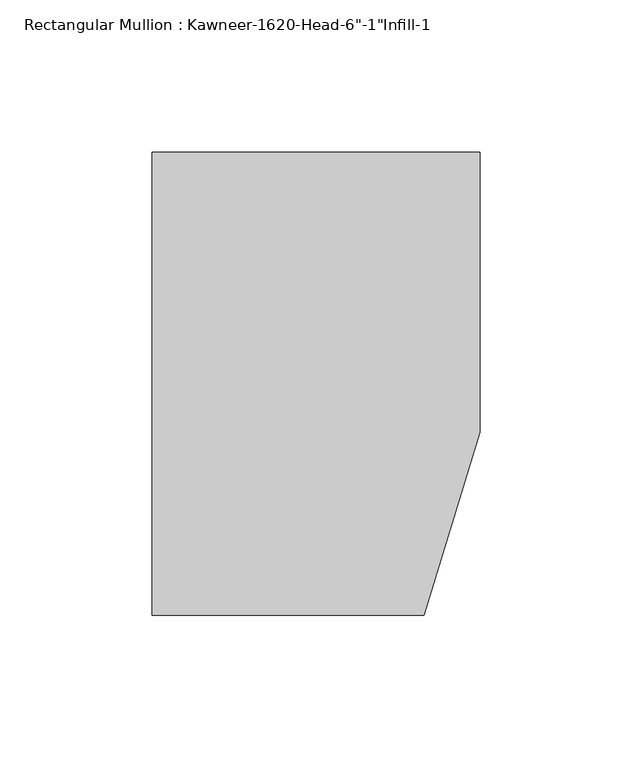
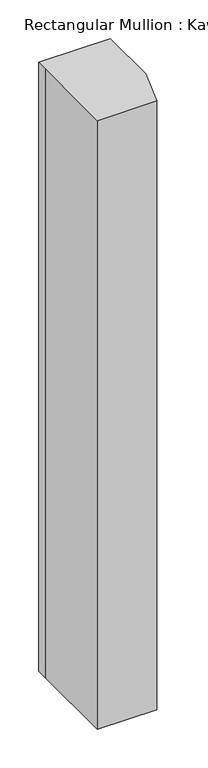
"""IFC4 building model written with IfcOpenShell, lengths in millimetres: member geometry."""

import ifcopenshell
import ifcopenshell.guid

model = None  # the IFC model being written
_history = None  # IfcOwnerHistory: only IFC2X3 demands one
_inside = {}  # id of a spatial element -> (the spatial element, [elements in it])
_under = {}  # id of a project, library or spatial element -> (it, [spatial elements below it])
_declared = {}  # id of a project -> (the project, [libraries it declares])
_typed = {}  # id of a type object -> (the type object, [elements of that type])
_made_of = {}  # id of a material, layer set ... -> (it, [elements and type objects made of it])


def new_model(schema):
    """Start an empty IFC model of exactly this schema.

    Asked for "IFC4X3", IfcOpenShell would pick the latest addendum, in which some entities
    have other attributes; the version numbers below select the first issue.
    IFC2X3 requires an IfcOwnerHistory on every rooted entity: one is made here for all.
    """
    global model, _history
    if schema == "IFC4X3":
        model = ifcopenshell.file(schema_version=(4, 3, 0, 0))
    else:
        model = ifcopenshell.file(schema=schema)
    _inside.clear()
    _under.clear()
    _declared.clear()
    _typed.clear()
    _made_of.clear()
    _history = None
    if model.schema == "IFC2X3":
        org = make("IfcOrganization", Name="unknown")
        user = make(
            "IfcPersonAndOrganization",
            ThePerson=make("IfcPerson", FamilyName="unknown"),
            TheOrganization=org,
        )
        app = make(
            "IfcApplication",
            ApplicationDeveloper=org,
            Version="unknown",
            ApplicationFullName="unknown",
            ApplicationIdentifier="unknown",
        )
        _history = make(
            "IfcOwnerHistory",
            OwningUser=user,
            OwningApplication=app,
            ChangeAction="ADDED",
            CreationDate=0,
        )
    return model


def make(cls, **values):
    """One entity of the class cls with the attributes given. An attribute that is None is left unset."""
    return model.create_entity(
        cls, **{name: value for name, value in values.items() if value is not None}
    )


def rooted(cls, **values):
    """An entity with a GlobalId (a new one), such as an element, a storey or a relation."""
    return make(cls, GlobalId=ifcopenshell.guid.new(), OwnerHistory=_history, **values)


def si_unit(unit_type, name, prefix=None):
    """IfcSIUnit, for example si_unit("LENGTHUNIT", "METRE", prefix="MILLI")."""
    return make("IfcSIUnit", UnitType=unit_type, Prefix=prefix, Name=name)


def assignment(units):
    """IfcUnitAssignment: the units of a project."""
    return None if units is None else make("IfcUnitAssignment", Units=units)


def point(xyz):
    """IfcCartesianPoint."""
    return None if xyz is None else make("IfcCartesianPoint", Coordinates=xyz)


def direction(xyz):
    """IfcDirection."""
    return None if xyz is None else make("IfcDirection", DirectionRatios=xyz)


def frame(location, z_axis=None, x_axis=None):
    """IfcAxis2Placement3D, a coordinate frame: its origin and axes. An axis left out is left unset."""
    return make(
        "IfcAxis2Placement3D",
        Location=point(location),
        Axis=direction(z_axis),
        RefDirection=direction(x_axis),
    )


def origin():
    """The frame at (0, 0, 0) with its axes left unset."""
    return frame((0.0, 0.0, 0.0))


def place(relative_to, where):
    """IfcLocalPlacement: puts the frame where relative to a parent placement (None: the world)."""
    return make(
        "IfcLocalPlacement", PlacementRelTo=relative_to, RelativePlacement=where
    )


def context(
    kind, dimensions, precision=None, world=None, true_north=None, identifier=None
):
    """IfcGeometricRepresentationContext, for example the 3D "Model" context."""
    return make(
        "IfcGeometricRepresentationContext",
        ContextIdentifier=identifier,
        ContextType=kind,
        CoordinateSpaceDimension=dimensions,
        Precision=precision,
        WorldCoordinateSystem=world,
        TrueNorth=true_north,
    )


def project(units=None, contexts=None):
    """IfcProject with its units and contexts."""
    return rooted(
        "IfcProject",
        Name="project",
        RepresentationContexts=contexts,
        UnitsInContext=assignment(units),
    )


def spatial(cls, under=None, at=None, **own):
    """A site, building, storey or space (cls), placed at a placement, below another one or the project."""
    s = rooted(cls, ObjectPlacement=at, **own)
    if under is not None:
        _under.setdefault(under.id(), (under, []))[1].append(s)
    return s


def polyline(points):
    """IfcPolyline through the points."""
    return make("IfcPolyline", Points=[point(p) for p in points])


def outline(outer, holes=None, kind="AREA"):
    """IfcArbitraryClosedProfileDef: a profile drawn as a closed curve; with holes, ...WithVoids."""
    if holes is None:
        return make("IfcArbitraryClosedProfileDef", ProfileType=kind, OuterCurve=outer)
    return make(
        "IfcArbitraryProfileDefWithVoids",
        ProfileType=kind,
        OuterCurve=outer,
        InnerCurves=holes,
    )


def extrude(swept, where, along, depth):
    """IfcExtrudedAreaSolid: the profile swept, set in the frame where, extruded along a direction by depth."""
    return make(
        "IfcExtrudedAreaSolid",
        SweptArea=swept,
        Position=where,
        ExtrudedDirection=direction(along),
        Depth=depth,
    )


def shape(context_of_items, identifier, shape_type, items):
    """IfcShapeRepresentation: the items that make up one representation, for example the "Body"."""
    return make(
        "IfcShapeRepresentation",
        ContextOfItems=context_of_items,
        RepresentationIdentifier=identifier,
        RepresentationType=shape_type,
        Items=items,
    )


def source(mapping_origin, context_of_items, identifier, shape_type, items):
    """IfcRepresentationMap: a shape defined once, which mapped items show again and again."""
    return make(
        "IfcRepresentationMap",
        MappingOrigin=mapping_origin,
        MappedRepresentation=shape(context_of_items, identifier, shape_type, items),
    )


def transform(
    local_origin,
    x_axis=None,
    y_axis=None,
    z_axis=None,
    scale=None,
    scale2=None,
    scale3=None,
    uniform=True,
):
    """IfcCartesianTransformationOperator3D, or its non-uniform kind. x_axis, y_axis, z_axis: its Axis1, 2, 3."""
    if uniform:
        return make(
            "IfcCartesianTransformationOperator3D",
            Axis1=direction(x_axis),
            Axis2=direction(y_axis),
            LocalOrigin=point(local_origin),
            Scale=scale,
            Axis3=direction(z_axis),
        )
    return make(
        "IfcCartesianTransformationOperator3DnonUniform",
        Axis1=direction(x_axis),
        Axis2=direction(y_axis),
        LocalOrigin=point(local_origin),
        Scale=scale,
        Axis3=direction(z_axis),
        Scale2=scale2,
        Scale3=scale3,
    )


def mapped(mapping_source, mapping_target):
    """IfcMappedItem: shows the shape of a source again, moved by a transform."""
    return make(
        "IfcMappedItem", MappingSource=mapping_source, MappingTarget=mapping_target
    )


def made_of(thing, what):
    """Note that an element or type object is made of a material, layer set ...; save() writes the relation."""
    if what is not None:
        _made_of.setdefault(what.id(), (what, []))[1].append(thing)
    return thing


def element(
    cls,
    number,
    at=None,
    inside=None,
    cuts=None,
    type_object=None,
    material=None,
    context=None,
    identifier="Body",
    shape_type=None,
    held_by="IfcProductDefinitionShape",
    body=None,
    shapes=None,
    **own,
):
    """One element of the class cls, such as IfcWall. Its Tag is "e" and its number.

    at: its placement. inside: the storey or other place that contains it. cuts: it is an
    opening in that element (IfcRelVoidsElement). A single representation is given by context,
    identifier, shape_type and body (its items); several are given by shapes. held_by: the class
    of the entity that holds the representations. save() writes the other relations.
    """
    e = rooted(cls, Tag="e%d" % number, ObjectPlacement=at, **own)
    if body is not None:
        shapes = [shape(context, identifier, shape_type, body)]
    if shapes is not None:
        e.Representation = make(held_by, Representations=shapes)
    if inside is not None:
        _inside.setdefault(inside.id(), (inside, []))[1].append(e)
    if cuts is not None:
        rooted(
            "IfcRelVoidsElement", RelatingBuildingElement=cuts, RelatedOpeningElement=e
        )
    if type_object is not None:
        _typed.setdefault(type_object.id(), (type_object, []))[1].append(e)
    return made_of(e, material)


def aggregate(whole, parts):
    """IfcRelAggregates: a whole, such as a stair, and the parts it consists of."""
    return rooted("IfcRelAggregates", RelatingObject=whole, RelatedObjects=parts)


def save(model, path):
    """Write the relations noted so far, then the file.

    IfcRelAggregates (storeys below a building ...), IfcRelContainedInSpatialStructure (elements
    in a storey), IfcRelDefinesByType, IfcRelAssociatesMaterial and IfcRelDeclares: one each for
    every whole, place, type object, material and project.
    """
    for whole, parts in _under.values():
        aggregate(whole, parts)
    for where, things in _inside.values():
        rooted(
            "IfcRelContainedInSpatialStructure",
            RelatedElements=things,
            RelatingStructure=where,
        )
    for kind, things in _typed.values():
        rooted("IfcRelDefinesByType", RelatedObjects=things, RelatingType=kind)
    for what, things in _made_of.values():
        rooted("IfcRelAssociatesMaterial", RelatedObjects=things, RelatingMaterial=what)
    for by, libraries in _declared.values():
        rooted("IfcRelDeclares", RelatingContext=by, RelatedDefinitions=libraries)
    model.write(path)


def member_8f5f395b(model_context):
    return source(origin(), model_context, "Body", "SweptSolid", [
        extrude(outline(polyline([(-107.95, 19.9095466), (-107.95, 38.1), (-44.1519366, 38.1), (0.0, 38.1), (0.0, -53.975), (-18.3538271, -114.3), (-107.95, -114.3), (-107.95, 19.9095466)])), frame((0.0, 0.0, -965.2934633), z_axis=(0.0, 0.0, 1.0), x_axis=(1.0, 0.0, 0.0)), (0.0, 0.0, 1.0), 965.2934633),
    ])


if __name__ == "__main__":
    model = new_model("IFC4")
    model_context = context("Model", 3, world=origin())
    ifc_project = project(units=[si_unit("LENGTHUNIT", "METRE", prefix="MILLI")], contexts=[model_context])
    site = spatial("IfcSite", under=ifc_project)
    building = spatial("IfcBuilding", under=site)
    placement = place(None, origin())
    member_shape = member_8f5f395b(model_context)
    element("IfcMember", 1, ObjectType="Rectangular Mullion : Kawneer-1620-Head-6\"-1\"Infill-1", at=placement, inside=building, context=model_context, shape_type="MappedRepresentation", body=[
        mapped(member_shape, transform((0.0, 0.0, 0.0), x_axis=(1.0, 0.0, 0.0), y_axis=(0.0, 1.0, 0.0), z_axis=(0.0, 0.0, 1.0))),
    ])
    save(model, "model.ifc")
